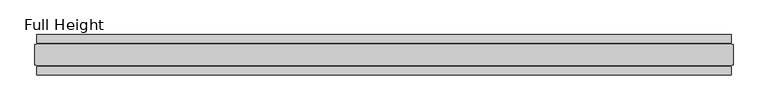
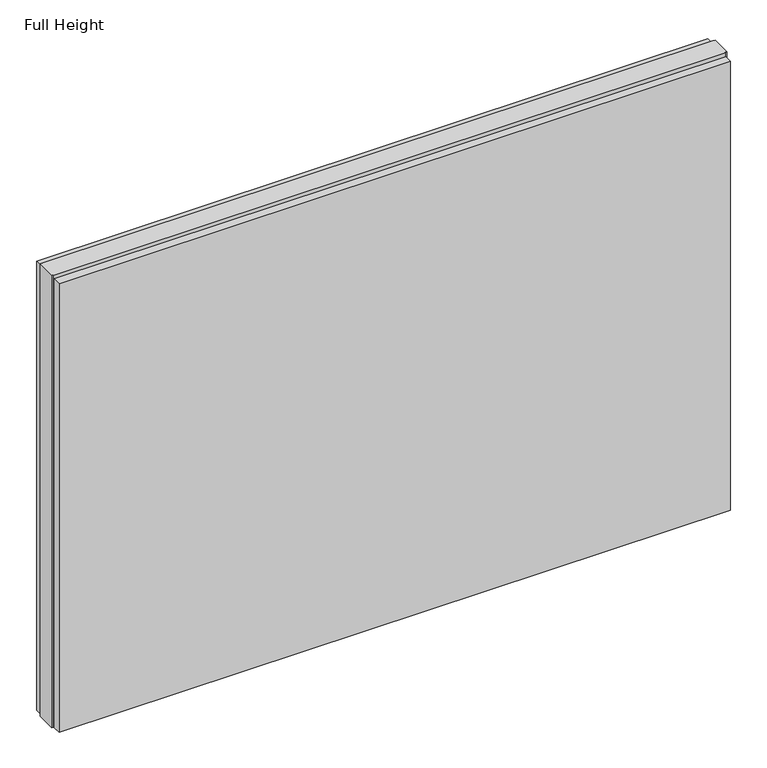
"""IFC4 building model written with IfcOpenShell, lengths in millimetres: plate geometry, Full Height."""

from ifc_helpers import new_model, si_unit, origin, origin_with_axes, place, context, project, spatial, polyline, outline, extrude, source, transform, mapped, element, save


def full_height_be632c1f(model_context):
    return source(origin(), model_context, "Body", "SweptSolid", [
        extrude(outline(polyline([(856.1864857, 28.956), (-856.1864857, 28.956), (-856.1864857, 49.53), (856.1864857, 49.53), (856.1864857, 28.956)])), origin_with_axes(), (0.0, 0.0, 1.0), 1210.056),
        extrude(outline(polyline([(856.1864857, -28.956), (856.1864857, -49.53), (-856.1864857, -49.53), (-856.1864857, -28.956), (856.1864857, -28.956)])), origin_with_axes(), (0.0, 0.0, 1.0), 1210.056),
        extrude(outline(polyline([(856.1864857, -25.146), (856.1864857, -26.67), (-856.1864857, -26.67), (-856.1864857, -25.146), (-860.7584857, -25.146), (-860.7584857, 25.146), (-856.1864857, 25.146), (-856.1864857, 26.67), (856.1864857, 26.67), (856.1864857, 25.146), (860.7584857, 25.146), (860.7584857, -25.146), (856.1864857, -25.146)])), origin_with_axes(), (0.0, 0.0, 1.0), 1219.2),
    ])


if __name__ == "__main__":
    model = new_model("IFC4")
    model_context = context("Model", 3, world=origin())
    ifc_project = project(units=[si_unit("LENGTHUNIT", "METRE", prefix="MILLI")], contexts=[model_context])
    site = spatial("IfcSite", under=ifc_project)
    building = spatial("IfcBuilding", under=site)
    placement = place(None, origin())
    full_height_shape = full_height_be632c1f(model_context)
    element("IfcPlate", 1, ObjectType="Full Height", at=placement, inside=building, context=model_context, shape_type="MappedRepresentation", body=[
        mapped(full_height_shape, transform((0.0, 0.0, 0.0), x_axis=(1.0, 0.0, 0.0), y_axis=(0.0, 1.0, 0.0), z_axis=(0.0, 0.0, 1.0))),
    ])
    save(model, "model.ifc")
